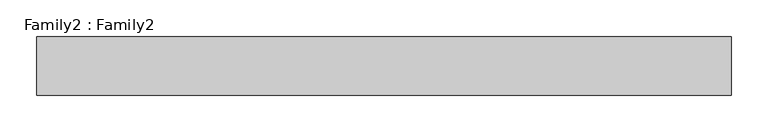
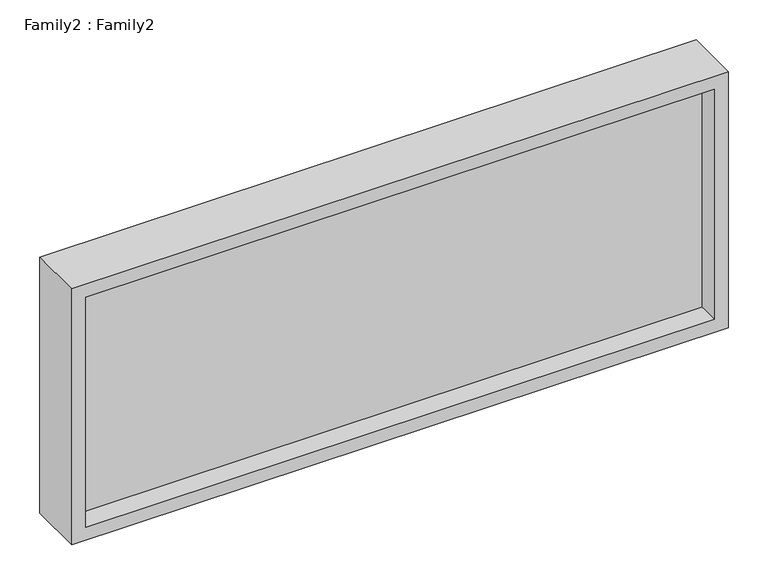
"""IFC4 building model written with IfcOpenShell, lengths in millimetres: plate geometry, Family2 : Family2."""

from ifc_helpers import new_model, si_unit, frame, origin, place, context, project, spatial, polyline, outline, extrude, source, transform, mapped, element, save


def family2_family2_9de18d80(model_context):
    return source(origin(), model_context, "Body", "SweptSolid", [
        extrude(outline(polyline([(391.6666667, -475.0), (0.0, -475.0), (0.0, 475.0), (391.6666667, 475.0), (391.6666667, -475.0)]), holes=[polyline([(20.0, -455.0), (371.6666667, -455.0), (371.6666667, 455.0), (20.0, 455.0), (20.0, -455.0)])]), frame((0.0, -40.0, 0.0), z_axis=(0.0, 1.0, 0.0), x_axis=(0.0, 0.0, 1.0)), (0.0, 0.0, 1.0), 80.0),
        extrude(outline(polyline([(455.0, 10.0), (455.0, -10.0), (-455.0, -10.0), (-455.0, 10.0), (455.0, 10.0)])), frame((0.0, 0.0, 20.0), z_axis=(0.0, 0.0, 1.0), x_axis=(1.0, 0.0, 0.0)), (0.0, 0.0, 1.0), 351.6666667),
    ])


if __name__ == "__main__":
    model = new_model("IFC4")
    model_context = context("Model", 3, world=origin())
    ifc_project = project(units=[si_unit("LENGTHUNIT", "METRE", prefix="MILLI")], contexts=[model_context])
    site = spatial("IfcSite", under=ifc_project)
    building = spatial("IfcBuilding", under=site)
    placement = place(None, origin())
    family2_family2_shape = family2_family2_9de18d80(model_context)
    element("IfcPlate", 1, ObjectType="Family2 : Family2", at=placement, inside=building, context=model_context, shape_type="MappedRepresentation", body=[
        mapped(family2_family2_shape, transform((0.0, 0.0, 0.0), x_axis=(1.0, 0.0, 0.0), y_axis=(0.0, 1.0, 0.0), z_axis=(0.0, 0.0, 1.0))),
    ])
    save(model, "model.ifc")
